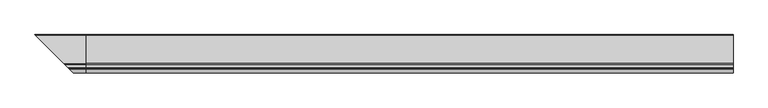
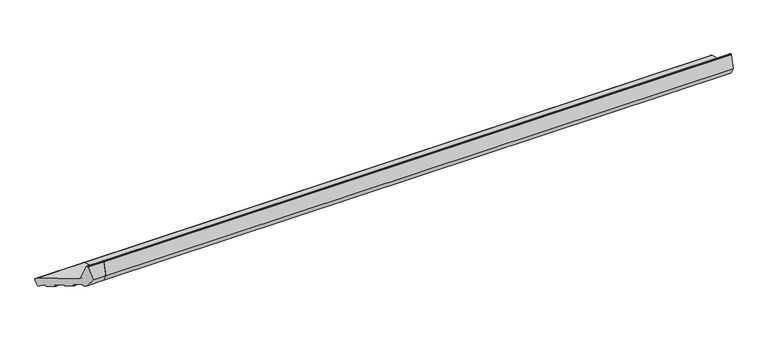
"""IFC4 building model written with IfcOpenShell, lengths in millimetres: proxy geometry."""

import ifcopenshell
import ifcopenshell.guid

model = None  # the IFC model being written
_history = None  # IfcOwnerHistory: only IFC2X3 demands one
_inside = {}  # id of a spatial element -> (the spatial element, [elements in it])
_under = {}  # id of a project, library or spatial element -> (it, [spatial elements below it])
_declared = {}  # id of a project -> (the project, [libraries it declares])
_typed = {}  # id of a type object -> (the type object, [elements of that type])
_made_of = {}  # id of a material, layer set ... -> (it, [elements and type objects made of it])


def new_model(schema):
    """Start an empty IFC model of exactly this schema.

    Asked for "IFC4X3", IfcOpenShell would pick the latest addendum, in which some entities
    have other attributes; the version numbers below select the first issue.
    IFC2X3 requires an IfcOwnerHistory on every rooted entity: one is made here for all.
    """
    global model, _history
    if schema == "IFC4X3":
        model = ifcopenshell.file(schema_version=(4, 3, 0, 0))
    else:
        model = ifcopenshell.file(schema=schema)
    _inside.clear()
    _under.clear()
    _declared.clear()
    _typed.clear()
    _made_of.clear()
    _history = None
    if model.schema == "IFC2X3":
        org = make("IfcOrganization", Name="unknown")
        user = make(
            "IfcPersonAndOrganization",
            ThePerson=make("IfcPerson", FamilyName="unknown"),
            TheOrganization=org,
        )
        app = make(
            "IfcApplication",
            ApplicationDeveloper=org,
            Version="unknown",
            ApplicationFullName="unknown",
            ApplicationIdentifier="unknown",
        )
        _history = make(
            "IfcOwnerHistory",
            OwningUser=user,
            OwningApplication=app,
            ChangeAction="ADDED",
            CreationDate=0,
        )
    return model


def make(cls, **values):
    """One entity of the class cls with the attributes given. An attribute that is None is left unset."""
    return model.create_entity(
        cls, **{name: value for name, value in values.items() if value is not None}
    )


def rooted(cls, **values):
    """An entity with a GlobalId (a new one), such as an element, a storey or a relation."""
    return make(cls, GlobalId=ifcopenshell.guid.new(), OwnerHistory=_history, **values)


def si_unit(unit_type, name, prefix=None):
    """IfcSIUnit, for example si_unit("LENGTHUNIT", "METRE", prefix="MILLI")."""
    return make("IfcSIUnit", UnitType=unit_type, Prefix=prefix, Name=name)


def assignment(units):
    """IfcUnitAssignment: the units of a project."""
    return None if units is None else make("IfcUnitAssignment", Units=units)


def point(xyz):
    """IfcCartesianPoint."""
    return None if xyz is None else make("IfcCartesianPoint", Coordinates=xyz)


def direction(xyz):
    """IfcDirection."""
    return None if xyz is None else make("IfcDirection", DirectionRatios=xyz)


def frame(location, z_axis=None, x_axis=None):
    """IfcAxis2Placement3D, a coordinate frame: its origin and axes. An axis left out is left unset."""
    return make(
        "IfcAxis2Placement3D",
        Location=point(location),
        Axis=direction(z_axis),
        RefDirection=direction(x_axis),
    )


def frame_2d(location, x_axis=None):
    """IfcAxis2Placement2D, a coordinate frame in the plane: its origin and x axis."""
    return make(
        "IfcAxis2Placement2D", Location=point(location), RefDirection=direction(x_axis)
    )


def origin():
    """The frame at (0, 0, 0) with its axes left unset."""
    return frame((0.0, 0.0, 0.0))


def place(relative_to, where):
    """IfcLocalPlacement: puts the frame where relative to a parent placement (None: the world)."""
    return make(
        "IfcLocalPlacement", PlacementRelTo=relative_to, RelativePlacement=where
    )


def context(
    kind, dimensions, precision=None, world=None, true_north=None, identifier=None
):
    """IfcGeometricRepresentationContext, for example the 3D "Model" context."""
    return make(
        "IfcGeometricRepresentationContext",
        ContextIdentifier=identifier,
        ContextType=kind,
        CoordinateSpaceDimension=dimensions,
        Precision=precision,
        WorldCoordinateSystem=world,
        TrueNorth=true_north,
    )


def project(units=None, contexts=None):
    """IfcProject with its units and contexts."""
    return rooted(
        "IfcProject",
        Name="project",
        RepresentationContexts=contexts,
        UnitsInContext=assignment(units),
    )


def spatial(cls, under=None, at=None, **own):
    """A site, building, storey or space (cls), placed at a placement, below another one or the project."""
    s = rooted(cls, ObjectPlacement=at, **own)
    if under is not None:
        _under.setdefault(under.id(), (under, []))[1].append(s)
    return s


def polyline(points):
    """IfcPolyline through the points."""
    return make("IfcPolyline", Points=[point(p) for p in points])


def circle_curve(where, radius):
    """IfcCircle in the frame where."""
    return make("IfcCircle", Position=where, Radius=radius)


def ellipse_curve(where, semi_axis1, semi_axis2):
    """IfcEllipse in the frame where."""
    return make(
        "IfcEllipse", Position=where, SemiAxis1=semi_axis1, SemiAxis2=semi_axis2
    )


def trimmed(basis, trim1, trim2, sense, master):
    """IfcTrimmedCurve: the piece of a basis curve between two trims."""
    return make(
        "IfcTrimmedCurve",
        BasisCurve=basis,
        Trim1=trim1,
        Trim2=trim2,
        SenseAgreement=sense,
        MasterRepresentation=master,
    )


def segment(curve, same_sense, transition):
    """IfcCompositeCurveSegment."""
    return make(
        "IfcCompositeCurveSegment",
        Transition=transition,
        SameSense=same_sense,
        ParentCurve=curve,
    )


def composite_curve(segments, self_intersect=None):
    """IfcCompositeCurve: segments joined end to end."""
    return make("IfcCompositeCurve", Segments=segments, SelfIntersect=self_intersect)


def outline(outer, holes=None, kind="AREA"):
    """IfcArbitraryClosedProfileDef: a profile drawn as a closed curve; with holes, ...WithVoids."""
    if holes is None:
        return make("IfcArbitraryClosedProfileDef", ProfileType=kind, OuterCurve=outer)
    return make(
        "IfcArbitraryProfileDefWithVoids",
        ProfileType=kind,
        OuterCurve=outer,
        InnerCurves=holes,
    )


def extrude(swept, where, along, depth):
    """IfcExtrudedAreaSolid: the profile swept, set in the frame where, extruded along a direction by depth."""
    return make(
        "IfcExtrudedAreaSolid",
        SweptArea=swept,
        Position=where,
        ExtrudedDirection=direction(along),
        Depth=depth,
    )


def shape(context_of_items, identifier, shape_type, items):
    """IfcShapeRepresentation: the items that make up one representation, for example the "Body"."""
    return make(
        "IfcShapeRepresentation",
        ContextOfItems=context_of_items,
        RepresentationIdentifier=identifier,
        RepresentationType=shape_type,
        Items=items,
    )


def source(mapping_origin, context_of_items, identifier, shape_type, items):
    """IfcRepresentationMap: a shape defined once, which mapped items show again and again."""
    return make(
        "IfcRepresentationMap",
        MappingOrigin=mapping_origin,
        MappedRepresentation=shape(context_of_items, identifier, shape_type, items),
    )


def transform(
    local_origin,
    x_axis=None,
    y_axis=None,
    z_axis=None,
    scale=None,
    scale2=None,
    scale3=None,
    uniform=True,
):
    """IfcCartesianTransformationOperator3D, or its non-uniform kind. x_axis, y_axis, z_axis: its Axis1, 2, 3."""
    if uniform:
        return make(
            "IfcCartesianTransformationOperator3D",
            Axis1=direction(x_axis),
            Axis2=direction(y_axis),
            LocalOrigin=point(local_origin),
            Scale=scale,
            Axis3=direction(z_axis),
        )
    return make(
        "IfcCartesianTransformationOperator3DnonUniform",
        Axis1=direction(x_axis),
        Axis2=direction(y_axis),
        LocalOrigin=point(local_origin),
        Scale=scale,
        Axis3=direction(z_axis),
        Scale2=scale2,
        Scale3=scale3,
    )


def mapped(mapping_source, mapping_target):
    """IfcMappedItem: shows the shape of a source again, moved by a transform."""
    return make(
        "IfcMappedItem", MappingSource=mapping_source, MappingTarget=mapping_target
    )


def made_of(thing, what):
    """Note that an element or type object is made of a material, layer set ...; save() writes the relation."""
    if what is not None:
        _made_of.setdefault(what.id(), (what, []))[1].append(thing)
    return thing


def element(
    cls,
    number,
    at=None,
    inside=None,
    cuts=None,
    type_object=None,
    material=None,
    context=None,
    identifier="Body",
    shape_type=None,
    held_by="IfcProductDefinitionShape",
    body=None,
    shapes=None,
    **own,
):
    """One element of the class cls, such as IfcWall. Its Tag is "e" and its number.

    at: its placement. inside: the storey or other place that contains it. cuts: it is an
    opening in that element (IfcRelVoidsElement). A single representation is given by context,
    identifier, shape_type and body (its items); several are given by shapes. held_by: the class
    of the entity that holds the representations. save() writes the other relations.
    """
    e = rooted(cls, Tag="e%d" % number, ObjectPlacement=at, **own)
    if body is not None:
        shapes = [shape(context, identifier, shape_type, body)]
    if shapes is not None:
        e.Representation = make(held_by, Representations=shapes)
    if inside is not None:
        _inside.setdefault(inside.id(), (inside, []))[1].append(e)
    if cuts is not None:
        rooted(
            "IfcRelVoidsElement", RelatingBuildingElement=cuts, RelatedOpeningElement=e
        )
    if type_object is not None:
        _typed.setdefault(type_object.id(), (type_object, []))[1].append(e)
    return made_of(e, material)


def aggregate(whole, parts):
    """IfcRelAggregates: a whole, such as a stair, and the parts it consists of."""
    return rooted("IfcRelAggregates", RelatingObject=whole, RelatedObjects=parts)


def save(model, path):
    """Write the relations noted so far, then the file.

    IfcRelAggregates (storeys below a building ...), IfcRelContainedInSpatialStructure (elements
    in a storey), IfcRelDefinesByType, IfcRelAssociatesMaterial and IfcRelDeclares: one each for
    every whole, place, type object, material and project.
    """
    for whole, parts in _under.values():
        aggregate(whole, parts)
    for where, things in _inside.values():
        rooted(
            "IfcRelContainedInSpatialStructure",
            RelatedElements=things,
            RelatingStructure=where,
        )
    for kind, things in _typed.values():
        rooted("IfcRelDefinesByType", RelatedObjects=things, RelatingType=kind)
    for what, things in _made_of.values():
        rooted("IfcRelAssociatesMaterial", RelatedObjects=things, RelatingMaterial=what)
    for by, libraries in _declared.values():
        rooted("IfcRelDeclares", RelatingContext=by, RelatedDefinitions=libraries)
    model.write(path)


def plane_surface(at):
    """IfcPlane: the flat surface through the origin of the frame at, square to its z axis."""
    return make("IfcPlane", Position=at)


def cylinder_surface(at, radius):
    """IfcCylindricalSurface: all points at the distance radius from the z axis of the frame at."""
    return make("IfcCylindricalSurface", Position=at, Radius=radius)


def revolved_surface(curve, axis_point, axis_direction):
    """IfcSurfaceOfRevolution: the curve turned about the line through axis_point along axis_direction."""
    return make(
        "IfcSurfaceOfRevolution",
        SweptCurve=make("IfcArbitraryOpenProfileDef", ProfileType="CURVE", Curve=curve),
        AxisPosition=make("IfcAxis1Placement", Location=point(axis_point), Axis=direction(axis_direction)),
    )


def advanced_brep(points, edges, surfaces, faces):
    """IfcAdvancedBrep: a solid bounded by faces that lie on surfaces and meet in shared edges.

    An edge is (start, end): straight between two places in points (the first is 0);
    or (start, end, curve); or (start, end, curve, False) where it runs against its curve.
    A face is (place in surfaces, loops), or (place, loops, False) where it looks against
    its surface's normal. A loop lists edges by number (the first is 1), with a minus sign
    where the edge is run from its end to its start. The first loop is the outer one.
    """
    corners = [point(p) for p in points]
    vertices = [make("IfcVertexPoint", VertexGeometry=c) for c in corners]
    made = []
    for start, end, *more in edges:
        made.append(
            make(
                "IfcEdgeCurve",
                EdgeStart=vertices[start],
                EdgeEnd=vertices[end],
                EdgeGeometry=more[0] if more else make("IfcPolyline", Points=[corners[start], corners[end]]),
                SameSense=more[1] if len(more) > 1 else True,
            )
        )
    hull = []
    for where, loops, *sense in faces:
        bounds = []
        for j, loop in enumerate(loops):
            ring = [make("IfcOrientedEdge", EdgeElement=made[abs(k) - 1], Orientation=k > 0) for k in loop]
            bounds.append(
                make(
                    "IfcFaceOuterBound" if j == 0 else "IfcFaceBound",
                    Bound=make("IfcEdgeLoop", EdgeList=ring),
                    Orientation=True,
                )
            )
        hull.append(make("IfcAdvancedFace", Bounds=bounds, FaceSurface=surfaces[where], SameSense=sense[0] if sense else True))
    return make("IfcAdvancedBrep", Outer=make("IfcClosedShell", CfsFaces=hull))


def generic_models_0023cf65(model_context):
    return source(origin(), model_context, "Body", "SolidModel", [
        advanced_brep(
        [(0.0, 24.4386976, 5.7548961), (0.0, 28.1129323, 7.8762164), (0.0, 34.8422274, 32.9902879), (0.0, 32.7209071, 36.6645225), (0.0, -82.7419043, 67.6026896), (0.0, -86.984545, 71.8453303), (0.0, -100.7329958, 123.1552472), (0.0, -102.1818846, 124.2670186), (0.0, -105.1934447, 124.2670186), (0.0, -106.6423334, 123.1552472), (0.0, -121.0, 69.571706), (0.0, -103.3223305, 38.9530842), (0.0, -94.628998, 36.6237128), (0.0, -93.4042532, 37.3308196), (0.0, -92.368977, 41.1945229), (0.0, -91.1442321, 41.9016297), (0.0, -67.9620123, 35.6899726), (0.0, -67.2549055, 34.4652277), (0.0, -68.2901817, 30.6015244), (0.0, -67.5830749, 29.3767795), (0.0, -45.3667809, 23.4239415), (0.0, -44.142036, 24.1310483), (0.0, -43.1067598, 27.9947516), (0.0, -41.882015, 28.7018584), (0.0, -18.6997951, 22.4902013), (0.0, -17.9926884, 21.2654564), (0.0, -19.0279645, 17.4017531), (0.0, -18.3208578, 16.1770082), (0.0, 3.8954362, 10.2241702), (0.0, 5.1201811, 10.931277), (0.0, 6.0683716, 14.4699721), (0.0, 7.5551512, 15.0647989), (0.0, 21.5409202, 6.5313532), (-195.4386976, 24.4386976, 5.7548961), (-199.1129323, 28.1129323, 7.8762164), (-205.8422274, 34.8422274, 32.9902879), (-203.7209071, 32.7209071, 36.6645225), (-88.2580957, -82.7419043, 67.6026896), (-84.015455, -86.984545, 71.8453303), (-70.2670042, -100.7329958, 123.1552472), (-68.8181154, -102.1818846, 124.2670186), (-65.8065553, -105.1934447, 124.2670186), (-64.3576666, -106.6423334, 123.1552472), (-50.0, -121.0, 69.571706), (-67.6776695, -103.3223305, 38.9530842), (-76.371002, -94.628998, 36.6237128), (-77.5957468, -93.4042532, 37.3308196), (-78.631023, -92.368977, 41.1945229), (-79.8557679, -91.1442321, 41.9016297), (-103.0379877, -67.9620123, 35.6899726), (-103.7450945, -67.2549055, 34.4652277), (-102.7098183, -68.2901817, 30.6015244), (-103.4169251, -67.5830749, 29.3767795), (-125.6332191, -45.3667809, 23.4239415), (-126.857964, -44.142036, 24.1310483), (-127.8932402, -43.1067598, 27.9947516), (-129.117985, -41.882015, 28.7018584), (-192.5409202, 21.5409202, 6.5313532), (-152.3002049, -18.6997951, 22.4902013), (-151.9720355, -19.0279645, 17.4017531), (-152.6791422, -18.3208578, 16.1770082), (-153.0073116, -17.9926884, 21.2654564), (-174.8954362, 3.8954362, 10.2241702), (-176.1201811, 5.1201811, 10.931277), (-177.0683716, 6.0683716, 14.4699721), (-178.5551512, 7.5551512, 15.0647989)],
        [
            (0, 1, circle_curve(frame((0.0, 25.2151548, 8.6526736), z_axis=(1.0, 0.0, 0.0), x_axis=(0.0, 1.0, 0.0)), 3.0)),
            (1, 2),
            (2, 3, circle_curve(frame((0.0, 31.94445, 33.766745), z_axis=(1.0, 0.0, 0.0), x_axis=(0.0, 1.0, 0.0)), 3.0)),
            (3, 4),
            (4, 5, circle_curve(frame((0.0, -81.1889901, 73.3982445), z_axis=(-1.0, 0.0, 0.0), x_axis=(0.0, 1.0, 0.0)), 6.0)),
            (5, 6),
            (6, 7, circle_curve(frame((0.0, -102.1818846, 122.7670186), z_axis=(1.0, 0.0, 0.0), x_axis=(0.0, 1.0, 0.0)), 1.5)),
            (7, 8),
            (8, 9, circle_curve(frame((0.0, -105.1934447, 122.7670186), z_axis=(1.0, 0.0, 0.0), x_axis=(0.0, 1.0, 0.0)), 1.5)),
            (9, 10),
            (10, 11),
            (11, 12),
            (12, 13, circle_curve(frame((0.0, -94.370179, 37.5896386), z_axis=(1.0, 0.0, 0.0), x_axis=(0.0, 1.0, 0.0)), 1.0)),
            (13, 14),
            (14, 15, circle_curve(frame((0.0, -91.4030512, 40.9357038), z_axis=(-1.0, 0.0, 0.0), x_axis=(0.0, 1.0, 0.0)), 1.0)),
            (15, 16),
            (16, 17, circle_curve(frame((0.0, -68.2208313, 34.7240468), z_axis=(-1.0, 0.0, 0.0), x_axis=(0.0, 1.0, 0.0)), 1.0)),
            (17, 18),
            (18, 19, circle_curve(frame((0.0, -67.3242559, 30.3427054), z_axis=(1.0, 0.0, 0.0), x_axis=(0.0, 1.0, 0.0)), 1.0)),
            (19, 20),
            (20, 21, circle_curve(frame((0.0, -45.1079618, 24.3898673), z_axis=(1.0, 0.0, 0.0), x_axis=(0.0, 1.0, 0.0)), 1.0)),
            (21, 22),
            (22, 23, circle_curve(frame((0.0, -42.140834, 27.7359325), z_axis=(-1.0, 0.0, 0.0), x_axis=(0.0, 1.0, 0.0)), 1.0)),
            (23, 24),
            (24, 25, circle_curve(frame((0.0, -18.9586142, 21.5242755), z_axis=(-1.0, 0.0, 0.0), x_axis=(0.0, 1.0, 0.0)), 1.0)),
            (25, 26),
            (26, 27, circle_curve(frame((0.0, -18.0620387, 17.1429341), z_axis=(1.0, 0.0, 0.0), x_axis=(0.0, 1.0, 0.0)), 1.0)),
            (27, 28),
            (28, 29, circle_curve(frame((0.0, 4.1542553, 11.190096), z_axis=(1.0, 0.0, 0.0), x_axis=(0.0, 1.0, 0.0)), 1.0)),
            (29, 30),
            (30, 31, circle_curve(frame((0.0, 7.0342974, 14.211153), z_axis=(-1.0, 0.0, 0.0), x_axis=(0.0, 1.0, 0.0)), 1.0)),
            (31, 32),
            (32, 0),
            (0, 33),
            (33, 34, ellipse_curve(frame((-196.2151548, 25.2151548, 8.6526736), z_axis=(0.707106781186548, 0.7071067811865471, 0.0), x_axis=(-0.707106781186547, 0.707106781186548, 0.0)), 4.2426407, 3.0)),
            (34, 1),
            (34, 35),
            (35, 2),
            (35, 36, ellipse_curve(frame((-202.94445, 31.94445, 33.766745), z_axis=(0.707106781186548, 0.7071067811865471, 0.0), x_axis=(-0.707106781186547, 0.707106781186548, 0.0)), 4.2426407, 3.0)),
            (36, 3),
            (36, 37),
            (37, 4),
            (37, 38, ellipse_curve(frame((-89.8110099, -81.1889901, 73.3982445), z_axis=(-0.707106781186548, -0.7071067811865471, 0.0), x_axis=(0.707106781186547, -0.707106781186548, 0.0)), 8.4852814, 6.0)),
            (38, 5),
            (38, 39),
            (39, 6),
            (39, 40, ellipse_curve(frame((-68.8181154, -102.1818846, 122.7670186), z_axis=(0.707106781186548, 0.7071067811865471, 0.0), x_axis=(-0.707106781186547, 0.707106781186548, 0.0)), 2.1213203, 1.5)),
            (40, 7),
            (40, 41),
            (41, 8),
            (41, 42, ellipse_curve(frame((-65.8065553, -105.1934447, 122.7670186), z_axis=(0.707106781186548, 0.7071067811865471, 0.0), x_axis=(-0.707106781186547, 0.707106781186548, 0.0)), 2.1213203, 1.5)),
            (42, 9),
            (42, 43),
            (43, 10),
            (43, 44),
            (44, 11),
            (44, 45),
            (45, 12),
            (45, 46, ellipse_curve(frame((-76.629821, -94.370179, 37.5896386), z_axis=(0.707106781186548, 0.7071067811865471, 0.0), x_axis=(-0.707106781186547, 0.707106781186548, 0.0)), 1.4142136, 1.0)),
            (46, 13),
            (46, 47),
            (47, 14),
            (47, 48, ellipse_curve(frame((-79.5969488, -91.4030512, 40.9357038), z_axis=(-0.707106781186548, -0.7071067811865471, 0.0), x_axis=(0.707106781186547, -0.707106781186548, 0.0)), 1.4142136, 1.0)),
            (48, 15),
            (48, 49),
            (49, 16),
            (49, 50, ellipse_curve(frame((-102.7791687, -68.2208313, 34.7240468), z_axis=(-0.707106781186548, -0.7071067811865471, 0.0), x_axis=(0.707106781186547, -0.707106781186548, 0.0)), 1.4142136, 1.0)),
            (50, 17),
            (50, 51),
            (51, 18),
            (51, 52, ellipse_curve(frame((-103.6757441, -67.3242559, 30.3427054), z_axis=(0.707106781186548, 0.7071067811865471, 0.0), x_axis=(-0.707106781186547, 0.707106781186548, 0.0)), 1.4142136, 1.0)),
            (52, 19),
            (52, 53),
            (53, 20),
            (53, 54, ellipse_curve(frame((-125.8920382, -45.1079618, 24.3898673), z_axis=(0.707106781186548, 0.7071067811865471, 0.0), x_axis=(-0.707106781186547, 0.707106781186548, 0.0)), 1.4142136, 1.0)),
            (54, 21),
            (54, 55),
            (55, 22),
            (55, 56, ellipse_curve(frame((-128.859166, -42.140834, 27.7359325), z_axis=(-0.707106781186548, -0.7071067811865471, 0.0), x_axis=(0.707106781186547, -0.707106781186548, 0.0)), 1.4142136, 1.0)),
            (56, 23),
            (32, 57),
            (57, 33),
            (56, 58),
            (58, 24),
            (26, 59),
            (59, 60, ellipse_curve(frame((-152.9379613, -18.0620387, 17.1429341), z_axis=(0.707106781186548, 0.7071067811865471, 0.0), x_axis=(-0.707106781186547, 0.707106781186548, 0.0)), 1.4142136, 1.0)),
            (60, 27),
            (25, 61),
            (61, 59),
            (58, 61, ellipse_curve(frame((-152.0413858, -18.9586142, 21.5242755), z_axis=(-0.707106781186548, -0.7071067811865471, 0.0), x_axis=(0.707106781186547, -0.707106781186548, 0.0)), 1.4142136, 1.0)),
            (60, 62),
            (62, 28),
            (62, 63, ellipse_curve(frame((-175.1542553, 4.1542553, 11.190096), z_axis=(0.707106781186548, 0.7071067811865471, 0.0), x_axis=(-0.707106781186547, 0.707106781186548, 0.0)), 1.4142136, 1.0)),
            (63, 29),
            (63, 64),
            (64, 30),
            (64, 65, ellipse_curve(frame((-178.0342974, 7.0342974, 14.211153), z_axis=(-0.707106781186548, -0.7071067811865471, 0.0), x_axis=(0.707106781186547, -0.707106781186548, 0.0)), 1.4142136, 1.0)),
            (65, 31),
            (65, 57),
        ],
        [
            plane_surface(frame((0.0, 0.0, 0.0), z_axis=(1.0, 0.0, 0.0), x_axis=(0.0, 0.0, 1.0))),
            cylinder_surface(frame((-206.3741644, 25.2151548, 8.6526736), z_axis=(-1.0, 0.0, 0.0), x_axis=(0.0, 1.0, 0.0)), 3.0),
            plane_surface(frame((-206.3741644, 34.8422274, 32.9902879), z_axis=(0.0, 0.9659258262890688, -0.2588190451025192), x_axis=(1.0, 0.0, 0.0))),
            cylinder_surface(frame((-206.3741644, 31.94445, 33.766745), z_axis=(-1.0, 0.0, 0.0), x_axis=(0.0, 1.0, 0.0)), 3.0),
            plane_surface(frame((-206.3741644, -82.7419043, 67.6026896), z_axis=(0.0, 0.25881904510252074, 0.9659258262890684), x_axis=(1.0, 0.0, 0.0))),
            revolved_surface(polyline([(0.0, -75.1889901, 73.3982445), (-95.81100991821609, -75.1889901, 73.3982445)]), (-206.3741644, -81.1889901, 73.3982445), (1.0, 0.0, 0.0)),
            plane_surface(frame((-206.3741644, -100.7329958, 123.1552472), z_axis=(0.0, 0.9659258262890681, 0.25881904510252146), x_axis=(1.0, 0.0, 0.0))),
            cylinder_surface(frame((-206.3741644, -102.1818846, 122.7670186), z_axis=(-1.0, 0.0, 0.0), x_axis=(0.0, 1.0, 0.0)), 1.5),
            plane_surface(frame((-206.3741644, -105.1934447, 124.2670186), z_axis=(0.0, 0.0, 1.0), x_axis=(1.0, 0.0, 0.0))),
            cylinder_surface(frame((-206.3741644, -105.1934447, 122.7670186), z_axis=(-1.0, 0.0, 0.0), x_axis=(0.0, 1.0, 0.0)), 1.5),
            plane_surface(frame((-206.3741644, -121.0, 69.571706), z_axis=(0.0, -0.9659258262890682, 0.25881904510252113), x_axis=(1.0, 0.0, 0.0))),
            plane_surface(frame((-206.3741644, -103.3223305, 38.9530842), z_axis=(0.0, -0.8660254037844382, -0.5000000000000009), x_axis=(1.0, 0.0, 0.0))),
            plane_surface(frame((-206.3741644, -94.628998, 36.6237128), z_axis=(0.0, -0.2588190451025213, -0.9659258262890682), x_axis=(1.0, 0.0, 0.0))),
            cylinder_surface(frame((-206.3741644, -94.370179, 37.5896386), z_axis=(-1.0, 0.0, 0.0), x_axis=(0.0, 1.0, 0.0)), 1.0),
            plane_surface(frame((-206.3741644, -92.368977, 41.1945229), z_axis=(0.0, 0.9659258262890696, -0.25881904510251574), x_axis=(1.0, 0.0, 0.0))),
            revolved_surface(polyline([(0.0, -90.4030512, 40.9357038), (-80.59694882660625, -90.4030512, 40.9357038)]), (-206.3741644, -91.4030512, 40.9357038), (1.0, 0.0, 0.0)),
            plane_surface(frame((-206.3741644, -67.9620123, 35.6899726), z_axis=(0.0, -0.25881904510252196, -0.965925826289068), x_axis=(1.0, 0.0, 0.0))),
            revolved_surface(polyline([(0.0, -67.2208313, 34.7240468), (-103.77916872660624, -67.2208313, 34.7240468)]), (-206.3741644, -68.2208313, 34.7240468), (1.0, 0.0, 0.0)),
            plane_surface(frame((-206.3741644, -68.2901817, 30.6015244), z_axis=(0.0, -0.9659258262890698, 0.2588190451025152), x_axis=(1.0, 0.0, 0.0))),
            cylinder_surface(frame((-206.3741644, -67.3242559, 30.3427054), z_axis=(-1.0, 0.0, 0.0), x_axis=(0.0, 1.0, 0.0)), 1.0),
            plane_surface(frame((-206.3741644, -45.3667809, 23.4239415), z_axis=(0.0, -0.25881904510252135, -0.9659258262890682), x_axis=(1.0, 0.0, 0.0))),
            cylinder_surface(frame((-206.3741644, -45.1079618, 24.3898673), z_axis=(-1.0, 0.0, 0.0), x_axis=(0.0, 1.0, 0.0)), 1.0),
            plane_surface(frame((-206.3741644, -43.1067598, 27.9947516), z_axis=(0.0, 0.9659258262890696, -0.25881904510251574), x_axis=(1.0, 0.0, 0.0))),
            revolved_surface(polyline([(0.0, -41.140834, 27.7359325), (-129.85916602660623, -41.140834, 27.7359325)]), (-206.3741644, -42.140834, 27.7359325), (1.0, 0.0, 0.0)),
            plane_surface(frame((-206.3741644, 24.4386976, 5.7548961), z_axis=(0.0, -0.2588190451025198, -0.9659258262890685), x_axis=(1.0, 0.0, 0.0))),
            plane_surface(frame((-206.3741644, -18.6997951, 22.4902013), z_axis=(0.0, -0.2588190451025191, -0.9659258262890689), x_axis=(1.0, 0.0, 0.0))),
            cylinder_surface(frame((-206.3741644, -18.0620387, 17.1429341), z_axis=(-1.0, 0.0, 0.0), x_axis=(0.0, 1.0, 0.0)), 1.0),
            plane_surface(frame((-206.3741644, -19.0279645, 17.4017531), z_axis=(0.0, -0.96592582628907, 0.2588190451025148), x_axis=(1.0, 0.0, 0.0))),
            revolved_surface(polyline([(0.0, -17.9586142, 21.5242755), (-153.04138582660624, -17.9586142, 21.5242755)]), (-206.3741644, -18.9586142, 21.5242755), (1.0, 0.0, 0.0)),
            plane_surface(frame((-206.3741644, 3.8954362, 10.2241702), z_axis=(0.0, -0.25881904510251874, -0.965925826289069), x_axis=(1.0, 0.0, 0.0))),
            cylinder_surface(frame((-206.3741644, 4.1542553, 11.190096), z_axis=(-1.0, 0.0, 0.0), x_axis=(0.0, 1.0, 0.0)), 1.0),
            plane_surface(frame((-206.3741644, 6.0683716, 14.4699721), z_axis=(0.0, 0.9659258262890685, -0.25881904510251985), x_axis=(1.0, 0.0, 0.0))),
            revolved_surface(polyline([(0.0, 8.0342974, 14.211153), (-179.03429742660626, 8.0342974, 14.211153)]), (-206.3741644, 7.0342974, 14.211153), (1.0, 0.0, 0.0)),
            plane_surface(frame((-206.3741644, 21.5409202, 6.5313532), z_axis=(0.0, -0.5208538026734632, -0.853645896282875), x_axis=(1.0, 0.0, 0.0))),
            plane_surface(frame((-152.2045815, -18.7954185, 0.0), z_axis=(-0.707106781186548, -0.7071067811865471, 0.0), x_axis=(0.0, 0.0, 1.0))),
        ],
        [
            (0, [[1, 2, 3, 4, 5, 6, 7, 8, 9, 10, 11, 12, 13, 14, 15, 16, 17, 18, 19, 20, 21, 22, 23, 24, 25, 26, 27, 28, 29, 30, 31, 32, 33]]),
            (1, [[-1, 34, 35, 36]]),
            (2, [[-2, -36, 37, 38]]),
            (3, [[-3, -38, 39, 40]]),
            (4, [[-4, -40, 41, 42]]),
            (5, [[-5, -42, 43, 44]]),
            (6, [[-6, -44, 45, 46]]),
            (7, [[-7, -46, 47, 48]]),
            (8, [[-8, -48, 49, 50]]),
            (9, [[-9, -50, 51, 52]]),
            (10, [[-10, -52, 53, 54]]),
            (11, [[-11, -54, 55, 56]]),
            (12, [[-12, -56, 57, 58]]),
            (13, [[-13, -58, 59, 60]]),
            (14, [[-14, -60, 61, 62]]),
            (15, [[-15, -62, 63, 64]]),
            (16, [[-16, -64, 65, 66]]),
            (17, [[-17, -66, 67, 68]]),
            (18, [[-18, -68, 69, 70]]),
            (19, [[-19, -70, 71, 72]]),
            (20, [[-20, -72, 73, 74]]),
            (21, [[-21, -74, 75, 76]]),
            (22, [[-22, -76, 77, 78]]),
            (23, [[-23, -78, 79, 80]]),
            (24, [[-33, 81, 82, -34]]),
            (25, [[-24, -80, 83, 84]]),
            (26, [[-27, 85, 86, 87]]),
            (27, [[-26, 88, 89, -85]]),
            (28, [[-25, -84, 90, -88]]),
            (29, [[-28, -87, 91, 92]]),
            (30, [[-29, -92, 93, 94]]),
            (31, [[-30, -94, 95, 96]]),
            (32, [[-31, -96, 97, 98]]),
            (33, [[-32, -98, 99, -81]]),
            (34, [[-35, -82, -99, -97, -95, -93, -91, -86, -89, -90, -83, -79, -77, -75, -73, -71, -69, -67, -65, -63, -61, -59, -57, -55, -53, -51, -49, -47, -45, -43, -41, -39, -37]]),
        ],
    ),
        extrude(outline(composite_curve([segment(polyline([(24.4386976, 5.7548961), (21.5409202, 6.5313532), (7.5551512, 15.0647989)]), True, "CONTINUOUS"), segment(trimmed(circle_curve(frame_2d((7.0342974, 14.211153)), 1.0), [point((7.5551512, 15.0647989))], [point((6.0683716, 14.4699721))], True, "CARTESIAN"), True, "CONTINUOUS"), segment(polyline([(6.0683716, 14.4699721), (5.1201811, 10.931277)]), True, "CONTINUOUS"), segment(trimmed(circle_curve(frame_2d((4.1542553, 11.190096)), 1.0), [point((5.1201811, 10.931277))], [point((3.8954362, 10.2241702))], False, "CARTESIAN"), True, "CONTINUOUS"), segment(polyline([(3.8954362, 10.2241702), (-18.3208578, 16.1770082)]), True, "CONTINUOUS"), segment(trimmed(circle_curve(frame_2d((-18.0620387, 17.1429341)), 1.0), [point((-18.3208578, 16.1770082))], [point((-19.0279645, 17.4017531))], False, "CARTESIAN"), True, "CONTINUOUS"), segment(polyline([(-19.0279645, 17.4017531), (-17.9926884, 21.2654564)]), True, "CONTINUOUS"), segment(trimmed(circle_curve(frame_2d((-18.9586142, 21.5242755)), 1.0), [point((-17.9926884, 21.2654564))], [point((-18.6997951, 22.4902013))], True, "CARTESIAN"), True, "CONTINUOUS"), segment(polyline([(-18.6997951, 22.4902013), (-41.882015, 28.7018584)]), True, "CONTINUOUS"), segment(trimmed(circle_curve(frame_2d((-42.140834, 27.7359325)), 1.0), [point((-41.882015, 28.7018584))], [point((-43.1067598, 27.9947516))], True, "CARTESIAN"), True, "CONTINUOUS"), segment(polyline([(-43.1067598, 27.9947516), (-44.142036, 24.1310483)]), True, "CONTINUOUS"), segment(trimmed(circle_curve(frame_2d((-45.1079618, 24.3898673)), 1.0), [point((-44.142036, 24.1310483))], [point((-45.3667809, 23.4239415))], False, "CARTESIAN"), True, "CONTINUOUS"), segment(polyline([(-45.3667809, 23.4239415), (-67.5830749, 29.3767795)]), True, "CONTINUOUS"), segment(trimmed(circle_curve(frame_2d((-67.3242559, 30.3427054)), 1.0), [point((-67.5830749, 29.3767795))], [point((-68.2901817, 30.6015244))], False, "CARTESIAN"), True, "CONTINUOUS"), segment(polyline([(-68.2901817, 30.6015244), (-67.2549055, 34.4652277)]), True, "CONTINUOUS"), segment(trimmed(circle_curve(frame_2d((-68.2208313, 34.7240468)), 1.0), [point((-67.2549055, 34.4652277))], [point((-67.9620123, 35.6899726))], True, "CARTESIAN"), True, "CONTINUOUS"), segment(polyline([(-67.9620123, 35.6899726), (-91.1442321, 41.9016297)]), True, "CONTINUOUS"), segment(trimmed(circle_curve(frame_2d((-91.4030512, 40.9357038)), 1.0), [point((-91.1442321, 41.9016297))], [point((-92.368977, 41.1945229))], True, "CARTESIAN"), True, "CONTINUOUS"), segment(polyline([(-92.368977, 41.1945229), (-93.4042532, 37.3308196)]), True, "CONTINUOUS"), segment(trimmed(circle_curve(frame_2d((-94.370179, 37.5896386)), 1.0), [point((-93.4042532, 37.3308196))], [point((-94.628998, 36.6237128))], False, "CARTESIAN"), True, "CONTINUOUS"), segment(polyline([(-94.628998, 36.6237128), (-103.3223305, 38.9530842), (-121.0, 69.571706), (-106.6423334, 123.1552472)]), True, "CONTINUOUS"), segment(trimmed(circle_curve(frame_2d((-105.1934447, 122.7670186)), 1.5), [point((-106.6423334, 123.1552472))], [point((-105.1934447, 124.2670186))], False, "CARTESIAN"), True, "CONTINUOUS"), segment(polyline([(-105.1934447, 124.2670186), (-102.1818846, 124.2670186)]), True, "CONTINUOUS"), segment(trimmed(circle_curve(frame_2d((-102.1818846, 122.7670186)), 1.5), [point((-102.1818846, 124.2670186))], [point((-100.7329958, 123.1552472))], False, "CARTESIAN"), True, "CONTINUOUS"), segment(polyline([(-100.7329958, 123.1552472), (-86.984545, 71.8453303)]), True, "CONTINUOUS"), segment(trimmed(circle_curve(frame_2d((-81.1889901, 73.3982445)), 6.0), [point((-86.984545, 71.8453303))], [point((-82.7419043, 67.6026896))], True, "CARTESIAN"), True, "CONTINUOUS"), segment(polyline([(-82.7419043, 67.6026896), (32.7209071, 36.6645225)]), True, "CONTINUOUS"), segment(trimmed(circle_curve(frame_2d((31.94445, 33.766745)), 3.0), [point((32.7209071, 36.6645225))], [point((34.8422274, 32.9902879))], False, "CARTESIAN"), True, "CONTINUOUS"), segment(polyline([(34.8422274, 32.9902879), (28.1129323, 7.8762164)]), True, "CONTINUOUS"), segment(trimmed(circle_curve(frame_2d((25.2151548, 8.6526736)), 3.0), [point((28.1129323, 7.8762164))], [point((24.4386976, 5.7548961))], False, "CARTESIAN"), True, "CONTINUOUS")], self_intersect=False)), frame((0.0, 0.0, 0.0), z_axis=(1.0, 0.0, 0.0), x_axis=(0.0, 1.0, 0.0)), (0.0, 0.0, 1.0), 2620.0),
    ])


if __name__ == "__main__":
    model = new_model("IFC4")
    model_context = context("Model", 3, world=origin())
    ifc_project = project(units=[si_unit("LENGTHUNIT", "METRE", prefix="MILLI")], contexts=[model_context])
    site = spatial("IfcSite", under=ifc_project)
    building = spatial("IfcBuilding", under=site)
    placement = place(None, origin())
    generic_models_shape = generic_models_0023cf65(model_context)
    element("IfcBuildingElementProxy", 1, Name="Generic Models", at=placement, inside=building, context=model_context, shape_type="MappedRepresentation", body=[
        mapped(generic_models_shape, transform((0.0, 0.0, 0.0), x_axis=(1.0, 0.0, 0.0), y_axis=(0.0, 1.0, 0.0), z_axis=(0.0, 0.0, 1.0))),
    ])
    save(model, "model.ifc")
